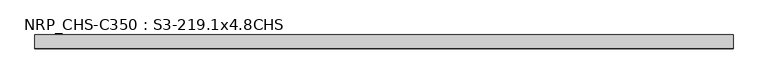
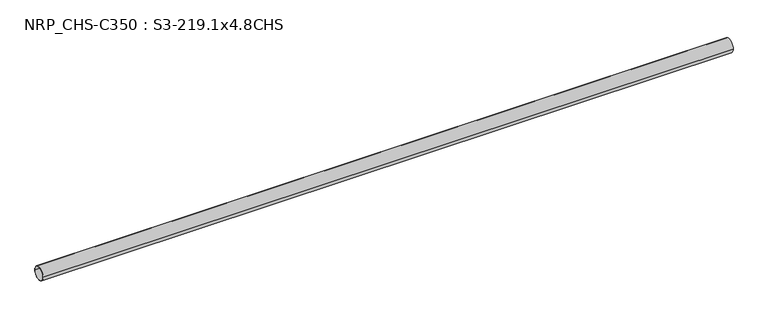
"""IFC4 building model written with IfcOpenShell, lengths in millimetres: beam geometry, NRP_CHS-C350 : S3-219.1x4.8CHS."""

from ifc_helpers import new_model, si_unit, point, frame, origin, origin_2d, place, context, project, spatial, circle_curve, trimmed, segment, composite_curve, outline, extrude, source, transform, mapped, element, save


def nrp_chs_c350_s3_219_1x4_8chs_2572b165(model_context):
    return source(origin(), model_context, "Body", "SweptSolid", [
        extrude(outline(composite_curve([segment(trimmed(circle_curve(origin_2d(), 109.55), [point((-109.55, 0.0))], [point((109.55, 0.0))], False, "CARTESIAN"), True, "CONTINUOUS"), segment(trimmed(circle_curve(origin_2d(), 109.55), [point((109.55, 0.0))], [point((-109.55, 0.0))], False, "CARTESIAN"), True, "CONTINUOUS")], self_intersect=False), holes=[composite_curve([segment(trimmed(circle_curve(origin_2d(), 104.75), [point((104.75, 0.0))], [point((-104.75, 0.0))], True, "CARTESIAN"), True, "CONTINUOUS"), segment(trimmed(circle_curve(origin_2d(), 104.75), [point((-104.75, 0.0))], [point((104.75, 0.0))], True, "CARTESIAN"), True, "CONTINUOUS")], self_intersect=False)]), frame((-5499.8, 0.0, 0.0), z_axis=(1.0, 0.0, 0.0), x_axis=(0.0, 1.0, 0.0)), (0.0, 0.0, 1.0), 10999.6),
    ])


if __name__ == "__main__":
    model = new_model("IFC4")
    model_context = context("Model", 3, world=origin())
    ifc_project = project(units=[si_unit("LENGTHUNIT", "METRE", prefix="MILLI")], contexts=[model_context])
    site = spatial("IfcSite", under=ifc_project)
    building = spatial("IfcBuilding", under=site)
    placement = place(None, origin())
    nrp_chs_c350_s3_219_1x4_8chs_shape = nrp_chs_c350_s3_219_1x4_8chs_2572b165(model_context)
    element("IfcBeam", 1, ObjectType="NRP_CHS-C350 : S3-219.1x4.8CHS", at=placement, inside=building, context=model_context, shape_type="MappedRepresentation", body=[
        mapped(nrp_chs_c350_s3_219_1x4_8chs_shape, transform((0.0, 0.0, 0.0), x_axis=(1.0, 0.0, 0.0), y_axis=(0.0, 1.0, 0.0), z_axis=(0.0, 0.0, 1.0))),
    ])
    save(model, "model.ifc")
